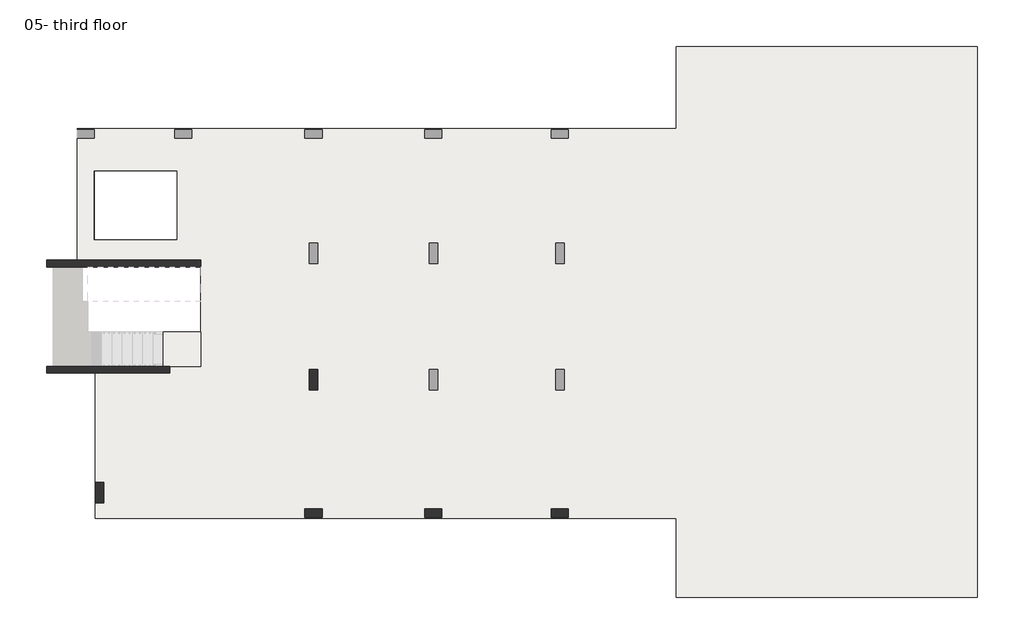
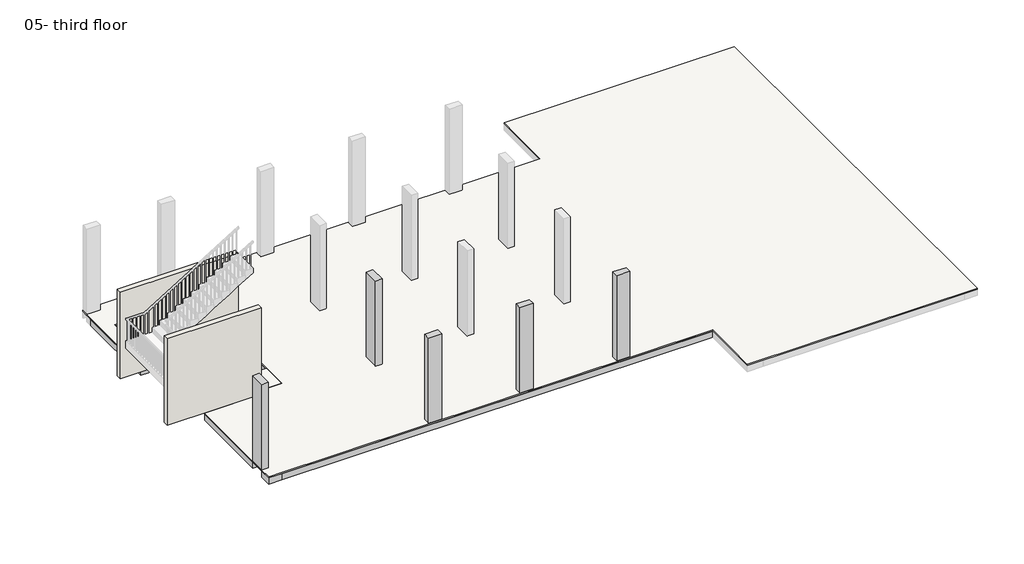
# One storey, part 1 of 5: 36 beams, 5 columns, 2 slabs, 2 walls.
"""IFC4 building model written with IfcOpenShell, lengths in millimetres."""

from ifc_helpers import new_model, si_unit, frame, origin, place, context, project, spatial, polyline, outline, extrude, faceted_brep, element, save

model = new_model("IFC4")

# Units and contexts
model_context = context("Model", 3, world=origin())
ifc_project = project(units=[si_unit("LENGTHUNIT", "METRE", prefix="MILLI")], contexts=[model_context])

# Site, building, storey
site = spatial("IfcSite", under=ifc_project)
building = spatial("IfcBuilding", under=site)
storey = spatial("IfcBuildingStorey", under=building, Name="05- third floor", Elevation=10500.0)

# Beams
placement = place(None, origin())
element("IfcBeam", 1, ObjectType="B 150 x 250 mm", at=placement, inside=storey, context=model_context, shape_type="SweptSolid", body=[
    extrude(outline(polyline([(14525.0390798, -7596.8939341), (14675.0390798, -7596.8939341), (14675.0390798, -10746.893934), (14525.0390798, -10746.893934), (14525.0390798, -7596.8939341)])), frame((0.0, 0.0, 10200.0), z_axis=(0.0, 0.0, 1.0), x_axis=(1.0, 0.0, 0.0)), (0.0, 0.0, 1.0), 250.0),
])
element("IfcBeam", 2, ObjectType="B 150 x 250 mm", at=placement, inside=storey, context=model_context, shape_type="SweptSolid", body=[
    extrude(outline(polyline([(15075.0390798, -7596.8939341), (15225.0390798, -7596.8939341), (15225.0390798, -10746.893934), (15075.0390798, -10746.893934), (15075.0390798, -7596.8939341)])), frame((0.0, 0.0, 10200.0), z_axis=(0.0, 0.0, 1.0), x_axis=(1.0, 0.0, 0.0)), (0.0, 0.0, 1.0), 250.0),
])
element("IfcBeam", 3, ObjectType="B 150 x 250 mm", at=placement, inside=storey, context=model_context, shape_type="SweptSolid", body=[
    extrude(outline(polyline([(15625.0390798, -7596.8939341), (15775.0390798, -7596.8939341), (15775.0390798, -10746.893934), (15625.0390798, -10746.893934), (15625.0390798, -7596.8939341)])), frame((0.0, 0.0, 10200.0), z_axis=(0.0, 0.0, 1.0), x_axis=(1.0, 0.0, 0.0)), (0.0, 0.0, 1.0), 250.0),
])
element("IfcBeam", 4, ObjectType="B 150 x 250 mm", at=placement, inside=storey, context=model_context, shape_type="SweptSolid", body=[
    extrude(outline(polyline([(10825.0390798, -7596.8939341), (10975.0390798, -7596.8939341), (10975.0390798, -10746.893934), (10825.0390798, -10746.893934), (10825.0390798, -7596.8939341)])), frame((0.0, 0.0, 10200.0), z_axis=(0.0, 0.0, 1.0), x_axis=(1.0, 0.0, 0.0)), (0.0, 0.0, 1.0), 250.0),
])
element("IfcBeam", 5, ObjectType="B 150 x 250 mm", at=placement, inside=storey, context=model_context, shape_type="SweptSolid", body=[
    extrude(outline(polyline([(11375.0390798, -7596.8939341), (11525.0390798, -7596.8939341), (11525.0390798, -10746.893934), (11375.0390798, -10746.893934), (11375.0390798, -7596.8939341)])), frame((0.0, 0.0, 10200.0), z_axis=(0.0, 0.0, 1.0), x_axis=(1.0, 0.0, 0.0)), (0.0, 0.0, 1.0), 250.0),
])
element("IfcBeam", 6, ObjectType="B 150 x 250 mm", at=placement, inside=storey, context=model_context, shape_type="SweptSolid", body=[
    extrude(outline(polyline([(11925.0390798, -7596.8939341), (12075.0390798, -7596.8939341), (12075.0390798, -10746.893934), (11925.0390798, -10746.893934), (11925.0390798, -7596.8939341)])), frame((0.0, 0.0, 10200.0), z_axis=(0.0, 0.0, 1.0), x_axis=(1.0, 0.0, 0.0)), (0.0, 0.0, 1.0), 250.0),
])
element("IfcBeam", 7, ObjectType="B 150 x 250 mm", at=placement, inside=storey, context=model_context, shape_type="SweptSolid", body=[
    extrude(outline(polyline([(12475.0390798, -7596.8939341), (12625.0390798, -7596.8939341), (12625.0390798, -10746.893934), (12475.0390798, -10746.893934), (12475.0390798, -7596.8939341)])), frame((0.0, 0.0, 10200.0), z_axis=(0.0, 0.0, 1.0), x_axis=(1.0, 0.0, 0.0)), (0.0, 0.0, 1.0), 250.0),
])
element("IfcBeam", 8, ObjectType="B 150 x 250 mm", at=placement, inside=storey, context=model_context, shape_type="SweptSolid", body=[
    extrude(outline(polyline([(13025.0390798, -7596.8939341), (13175.0390798, -7596.8939341), (13175.0390798, -10746.893934), (13025.0390798, -10746.893934), (13025.0390798, -7596.8939341)])), frame((0.0, 0.0, 10200.0), z_axis=(0.0, 0.0, 1.0), x_axis=(1.0, 0.0, 0.0)), (0.0, 0.0, 1.0), 250.0),
])
element("IfcBeam", 9, ObjectType="B 150 x 250 mm", at=placement, inside=storey, context=model_context, shape_type="SweptSolid", body=[
    extrude(outline(polyline([(7225.0390798, -7596.8939341), (7375.0390798, -7596.8939341), (7375.0390798, -10746.893934), (7225.0390798, -10746.893934), (7225.0390798, -7596.8939341)])), frame((0.0, 0.0, 10200.0), z_axis=(0.0, 0.0, 1.0), x_axis=(1.0, 0.0, 0.0)), (0.0, 0.0, 1.0), 250.0),
])
element("IfcBeam", 10, ObjectType="B 150 x 250 mm", at=placement, inside=storey, context=model_context, shape_type="SweptSolid", body=[
    extrude(outline(polyline([(7775.0390798, -7596.8939341), (7925.0390798, -7596.8939341), (7925.0390798, -10746.893934), (7775.0390798, -10746.893934), (7775.0390798, -7596.8939341)])), frame((0.0, 0.0, 10200.0), z_axis=(0.0, 0.0, 1.0), x_axis=(1.0, 0.0, 0.0)), (0.0, 0.0, 1.0), 250.0),
])
element("IfcBeam", 11, ObjectType="B 150 x 250 mm", at=placement, inside=storey, context=model_context, shape_type="SweptSolid", body=[
    extrude(outline(polyline([(8325.0390798, -7596.8939341), (8475.0390798, -7596.8939341), (8475.0390798, -10746.893934), (8325.0390798, -10746.893934), (8325.0390798, -7596.8939341)])), frame((0.0, 0.0, 10200.0), z_axis=(0.0, 0.0, 1.0), x_axis=(1.0, 0.0, 0.0)), (0.0, 0.0, 1.0), 250.0),
])
element("IfcBeam", 12, ObjectType="B 150 x 250 mm", at=placement, inside=storey, context=model_context, shape_type="SweptSolid", body=[
    extrude(outline(polyline([(8875.0390798, -7596.8939341), (9025.0390798, -7596.8939341), (9025.0390798, -10746.893934), (8875.0390798, -10746.893934), (8875.0390798, -7596.8939341)])), frame((0.0, 0.0, 10200.0), z_axis=(0.0, 0.0, 1.0), x_axis=(1.0, 0.0, 0.0)), (0.0, 0.0, 1.0), 250.0),
])
element("IfcBeam", 13, ObjectType="B 150 x 250 mm", at=placement, inside=storey, context=model_context, shape_type="SweptSolid", body=[
    extrude(outline(polyline([(9425.0390798, -7596.8939341), (9575.0390798, -7596.8939341), (9575.0390798, -10746.893934), (9425.0390798, -10746.893934), (9425.0390798, -7596.8939341)])), frame((0.0, 0.0, 10200.0), z_axis=(0.0, 0.0, 1.0), x_axis=(1.0, 0.0, 0.0)), (0.0, 0.0, 1.0), 250.0),
])
element("IfcBeam", 14, ObjectType="B 150 x 250 mm", at=placement, inside=storey, context=model_context, shape_type="SweptSolid", body=[
    extrude(outline(polyline([(7225.0390798, -3896.893934), (7375.0390798, -3896.893934), (7375.0390798, -6796.8939341), (7225.0390798, -6796.8939341), (7225.0390798, -3896.893934)])), frame((0.0, 0.0, 10200.0), z_axis=(0.0, 0.0, 1.0), x_axis=(1.0, 0.0, 0.0)), (0.0, 0.0, 1.0), 250.0),
])
element("IfcBeam", 15, ObjectType="B 150 x 250 mm", at=placement, inside=storey, context=model_context, shape_type="SweptSolid", body=[
    extrude(outline(polyline([(7775.0390798, -3896.893934), (7925.0390798, -3896.893934), (7925.0390798, -6796.8939341), (7775.0390798, -6796.8939341), (7775.0390798, -3896.893934)])), frame((0.0, 0.0, 10200.0), z_axis=(0.0, 0.0, 1.0), x_axis=(1.0, 0.0, 0.0)), (0.0, 0.0, 1.0), 250.0),
])
element("IfcBeam", 16, ObjectType="B 150 x 250 mm", at=placement, inside=storey, context=model_context, shape_type="SweptSolid", body=[
    extrude(outline(polyline([(888.8989593, -7596.8939341), (888.8989593, -10746.893934), (777.7588387, -10746.893934), (777.7588387, -7596.8939341), (888.8989593, -7596.8939341)])), frame((0.0, 0.0, 10200.0), z_axis=(0.0, 0.0, 1.0), x_axis=(1.0, 0.0, 0.0)), (0.0, 0.0, 1.0), 250.0),
])
element("IfcBeam", 17, ObjectType="B 150 x 250 mm", at=placement, inside=storey, context=model_context, shape_type="SweptSolid", body=[
    extrude(outline(polyline([(1288.8989593, -7596.8939341), (1438.8989593, -7596.8939341), (1438.8989593, -10746.893934), (1288.8989593, -10746.893934), (1288.8989593, -7596.8939341)])), frame((0.0, 0.0, 10200.0), z_axis=(0.0, 0.0, 1.0), x_axis=(1.0, 0.0, 0.0)), (0.0, 0.0, 1.0), 250.0),
])
element("IfcBeam", 18, ObjectType="B 150 x 250 mm", at=placement, inside=storey, context=model_context, shape_type="SweptSolid", body=[
    extrude(outline(polyline([(1838.8989593, -7596.8939341), (1988.8989593, -7596.8939341), (1988.8989593, -10746.893934), (1838.8989593, -10746.893934), (1838.8989593, -7596.8939341)])), frame((0.0, 0.0, 10200.0), z_axis=(0.0, 0.0, 1.0), x_axis=(1.0, 0.0, 0.0)), (0.0, 0.0, 1.0), 250.0),
])
element("IfcBeam", 19, ObjectType="B 150 x 250 mm", at=placement, inside=storey, context=model_context, shape_type="SweptSolid", body=[
    extrude(outline(polyline([(2388.8989593, -7596.8939341), (2538.8989593, -7596.8939341), (2538.8989593, -10746.893934), (2388.8989593, -10746.893934), (2388.8989593, -7596.8939341)])), frame((0.0, 0.0, 10200.0), z_axis=(0.0, 0.0, 1.0), x_axis=(1.0, 0.0, 0.0)), (0.0, 0.0, 1.0), 250.0),
])
element("IfcBeam", 20, ObjectType="B 150 x 250 mm", at=placement, inside=storey, context=model_context, shape_type="SweptSolid", body=[
    extrude(outline(polyline([(2938.8989593, -7596.8939341), (3088.8989593, -7596.8939341), (3088.8989593, -10746.893934), (2938.8989593, -10746.893934), (2938.8989593, -7596.8939341)])), frame((0.0, 0.0, 10200.0), z_axis=(0.0, 0.0, 1.0), x_axis=(1.0, 0.0, 0.0)), (0.0, 0.0, 1.0), 250.0),
])
element("IfcBeam", 21, ObjectType="B 150 x 250 mm", at=placement, inside=storey, context=model_context, shape_type="SweptSolid", body=[
    extrude(outline(polyline([(3488.8989593, -7596.8939341), (3638.8989593, -7596.8939341), (3638.8989593, -10746.893934), (3488.8989593, -10746.893934), (3488.8989593, -7596.8939341)])), frame((0.0, 0.0, 10200.0), z_axis=(0.0, 0.0, 1.0), x_axis=(1.0, 0.0, 0.0)), (0.0, 0.0, 1.0), 250.0),
])
element("IfcBeam", 22, ObjectType="B 150 x 250 mm", at=placement, inside=storey, context=model_context, shape_type="SweptSolid", body=[
    extrude(outline(polyline([(4038.8989593, -7596.8939341), (4188.8989593, -7596.8939341), (4188.8989593, -10746.893934), (4038.8989593, -10746.893934), (4038.8989593, -7596.8939341)])), frame((0.0, 0.0, 10200.0), z_axis=(0.0, 0.0, 1.0), x_axis=(1.0, 0.0, 0.0)), (0.0, 0.0, 1.0), 250.0),
])
element("IfcBeam", 23, ObjectType="B 150 x 250 mm", at=placement, inside=storey, context=model_context, shape_type="SweptSolid", body=[
    extrude(outline(polyline([(4588.8989593, -7596.8939341), (4738.8989593, -7596.8939341), (4738.8989593, -10746.893934), (4588.8989593, -10746.893934), (4588.8989593, -7596.8939341)])), frame((0.0, 0.0, 10200.0), z_axis=(0.0, 0.0, 1.0), x_axis=(1.0, 0.0, 0.0)), (0.0, 0.0, 1.0), 250.0),
])
element("IfcBeam", 24, ObjectType="B 150 x 250 mm", at=placement, inside=storey, context=model_context, shape_type="SweptSolid", body=[
    extrude(outline(polyline([(5138.8989593, -7596.8939341), (5288.8989593, -7596.8939341), (5288.8989593, -10746.893934), (5138.8989593, -10746.893934), (5138.8989593, -7596.8939341)])), frame((0.0, 0.0, 10200.0), z_axis=(0.0, 0.0, 1.0), x_axis=(1.0, 0.0, 0.0)), (0.0, 0.0, 1.0), 250.0),
])
element("IfcBeam", 25, ObjectType="B 150 x 250 mm", at=placement, inside=storey, context=model_context, shape_type="SweptSolid", body=[
    extrude(outline(polyline([(5688.8989593, -7596.8939341), (5838.8989593, -7596.8939341), (5838.8989593, -10746.893934), (5688.8989593, -10746.893934), (5688.8989593, -7596.8939341)])), frame((0.0, 0.0, 10200.0), z_axis=(0.0, 0.0, 1.0), x_axis=(1.0, 0.0, 0.0)), (0.0, 0.0, 1.0), 250.0),
])
element("IfcBeam", 26, ObjectType="B 150 x 250 mm", at=placement, inside=storey, context=model_context, shape_type="SweptSolid", body=[
    extrude(outline(polyline([(6238.8989593, -10746.893934), (6238.8989593, -7596.8939341), (6350.0390798, -7596.8939341), (6350.0390798, -10746.893934), (6238.8989593, -10746.893934)])), frame((0.0, 0.0, 10200.0), z_axis=(0.0, 0.0, 1.0), x_axis=(1.0, 0.0, 0.0)), (0.0, 0.0, 1.0), 250.0),
])
element("IfcBeam", 27, ObjectType="B 150 x 250 mm", at=placement, inside=storey, context=model_context, shape_type="SweptSolid", body=[
    extrude(outline(polyline([(3925.0195399, -3896.893934), (4075.0195399, -3896.893934), (4075.0195399, -6796.8939341), (3925.0195399, -6796.8939341), (3925.0195399, -3896.893934)])), frame((0.0, 0.0, 10200.0), z_axis=(0.0, 0.0, 1.0), x_axis=(1.0, 0.0, 0.0)), (0.0, 0.0, 1.0), 250.0),
])
element("IfcBeam", 28, ObjectType="B 150 x 250 mm", at=placement, inside=storey, context=model_context, shape_type="SweptSolid", body=[
    extrude(outline(polyline([(4475.0195399, -3896.893934), (4625.0195399, -3896.893934), (4625.0195399, -6796.8939341), (4475.0195399, -6796.8939341), (4475.0195399, -3896.893934)])), frame((0.0, 0.0, 10200.0), z_axis=(0.0, 0.0, 1.0), x_axis=(1.0, 0.0, 0.0)), (0.0, 0.0, 1.0), 250.0),
])
element("IfcBeam", 29, ObjectType="B 150 x 250 mm", at=placement, inside=storey, context=model_context, shape_type="SweptSolid", body=[
    extrude(outline(polyline([(5025.0195399, -3896.893934), (5175.0195399, -3896.893934), (5175.0195399, -6796.8939341), (5025.0195399, -6796.8939341), (5025.0195399, -3896.893934)])), frame((0.0, 0.0, 10200.0), z_axis=(0.0, 0.0, 1.0), x_axis=(1.0, 0.0, 0.0)), (0.0, 0.0, 1.0), 250.0),
])
element("IfcBeam", 30, ObjectType="B 150 x 250 mm", at=placement, inside=storey, context=model_context, shape_type="SweptSolid", body=[
    extrude(outline(polyline([(5575.0195399, -3896.893934), (5725.0195399, -3896.893934), (5725.0195399, -6796.8939341), (5575.0195399, -6796.8939341), (5575.0195399, -3896.893934)])), frame((0.0, 0.0, 10200.0), z_axis=(0.0, 0.0, 1.0), x_axis=(1.0, 0.0, 0.0)), (0.0, 0.0, 1.0), 250.0),
])
element("IfcBeam", 31, ObjectType="B 150 x 250 mm", at=placement, inside=storey, context=model_context, shape_type="SweptSolid", body=[
    extrude(outline(polyline([(6125.0195399, -3896.893934), (6275.0195399, -3896.893934), (6275.0195399, -6796.8939341), (6125.0195399, -6796.8939341), (6125.0195399, -3896.893934)])), frame((0.0, 0.0, 10200.0), z_axis=(0.0, 0.0, 1.0), x_axis=(1.0, 0.0, 0.0)), (0.0, 0.0, 1.0), 250.0),
])
element("IfcBeam", 32, ObjectType="B5 500 x 250 mm", at=placement, inside=storey, context=model_context, shape_type="Brep", body=[
    faceted_brep([(777.7588387, -6996.8939341, 10450.0), (277.7588387, -6996.8939341, 10450.0), (277.7588387, -10196.893934, 10450.0), (527.7588387, -10196.893934, 10450.0), (527.7588387, -10796.893934, 10450.0), (277.7588387, -10796.893934, 10450.0), (277.7588387, -11246.893934, 10450.0), (777.7588387, -11246.893934, 10450.0), (777.7588387, -10746.893934, 10450.0), (777.7588387, -7596.8939341, 10450.0), (777.7588387, -6996.8939341, 10200.0), (777.7588387, -11246.893934, 10200.0), (777.7588387, -10746.893934, 10200.0), (777.7588387, -7596.8939341, 10200.0), (277.7588387, -6996.8939341, 10200.0), (277.7588387, -11246.893934, 10200.0), (277.7588387, -10796.893934, 10200.0), (527.7588387, -10796.893934, 10200.0), (527.7588387, -10196.893934, 10200.0), (277.7588387, -10196.893934, 10200.0)], [[[0, 1, 2, 3, 4, 5, 6, 7, 8, 9]], [[10, 0, 9, 8, 7, 11, 12, 13]], [[14, 10, 13, 12, 11, 15, 16, 17, 18, 19]], [[1, 14, 19, 2]], [[1, 0, 10, 14]], [[18, 3, 2, 19]], [[4, 17, 16, 5]], [[3, 18, 17, 4]], [[15, 6, 5, 16]], [[7, 6, 15, 11]]]),
])
element("IfcBeam", 33, ObjectType="B5 500 x 250 mm", at=placement, inside=storey, context=model_context, shape_type="Brep", body=[
    faceted_brep([(25550.0000727, -11246.893934, 10450.0), (25550.0000727, -11246.893934, 10200.0), (25550.0000727, -10746.893934, 10200.0), (25550.0000727, -10746.893934, 10450.0), (25275.0195763, -10746.893934, 10450.0), (25125.0195763, -10746.893934, 10450.0), (24725.0195763, -10746.893934, 10450.0), (24575.0195763, -10746.893934, 10450.0), (24175.0195763, -10746.893934, 10450.0), (24025.0195763, -10746.893934, 10450.0), (23625.0195763, -10746.893934, 10450.0), (23475.0195763, -10746.893934, 10450.0), (23075.0195763, -10746.893934, 10450.0), (22925.0195763, -10746.893934, 10450.0), (22525.0195763, -10746.893934, 10450.0), (22375.0195763, -10746.893934, 10450.0), (21975.0195763, -10746.893934, 10450.0), (21825.0195763, -10746.893934, 10450.0), (21550.0390798, -10746.893934, 10450.0), (20950.0390798, -10746.893934, 10450.0), (20575.0390798, -10746.893934, 10450.0), (20425.0390798, -10746.893934, 10450.0), (20025.0390798, -10746.893934, 10450.0), (19875.0390798, -10746.893934, 10450.0), (19475.0390798, -10746.893934, 10450.0), (19325.0390798, -10746.893934, 10450.0), (18925.0390798, -10746.893934, 10450.0), (18775.0390798, -10746.893934, 10450.0), (18375.0390798, -10746.893934, 10450.0), (18225.0390798, -10746.893934, 10450.0), (17850.0390798, -10746.893934, 10450.0), (17250.0390798, -10746.893934, 10450.0), (16875.0390798, -10746.893934, 10450.0), (16725.0390798, -10746.893934, 10450.0), (16325.0390798, -10746.893934, 10450.0), (16175.0390798, -10746.893934, 10450.0), (15775.0390798, -10746.893934, 10450.0), (15625.0390798, -10746.893934, 10450.0), (15225.0390798, -10746.893934, 10450.0), (15075.0390798, -10746.893934, 10450.0), (14675.0390798, -10746.893934, 10450.0), (14525.0390798, -10746.893934, 10450.0), (14150.0390798, -10746.893934, 10450.0), (13550.0390798, -10746.893934, 10450.0), (13175.0390798, -10746.893934, 10450.0), (13025.0390798, -10746.893934, 10450.0), (12625.0390798, -10746.893934, 10450.0), (12475.0390798, -10746.893934, 10450.0), (12075.0390798, -10746.893934, 10450.0), (11925.0390798, -10746.893934, 10450.0), (11525.0390798, -10746.893934, 10450.0), (11375.0390798, -10746.893934, 10450.0), (10975.0390798, -10746.893934, 10450.0), (10825.0390798, -10746.893934, 10450.0), (10450.0390798, -10746.893934, 10450.0), (9850.0390798, -10746.893934, 10450.0), (9575.0390798, -10746.893934, 10450.0), (9425.0390798, -10746.893934, 10450.0), (9025.0390798, -10746.893934, 10450.0), (8875.0390798, -10746.893934, 10450.0), (8475.0390798, -10746.893934, 10450.0), (8325.0390798, -10746.893934, 10450.0), (7925.0390798, -10746.893934, 10450.0), (7775.0390798, -10746.893934, 10450.0), (7375.0390798, -10746.893934, 10450.0), (7225.0390798, -10746.893934, 10450.0), (6950.0390798, -10746.893934, 10450.0), (6350.0390798, -10746.893934, 10450.0), (6238.8989593, -10746.893934, 10450.0), (5838.8989593, -10746.893934, 10450.0), (5688.8989593, -10746.893934, 10450.0), (5288.8989593, -10746.893934, 10450.0), (5138.8989593, -10746.893934, 10450.0), (4738.8989593, -10746.893934, 10450.0), (4588.8989593, -10746.893934, 10450.0), (4188.8989593, -10746.893934, 10450.0), (4038.8989593, -10746.893934, 10450.0), (3638.8989593, -10746.893934, 10450.0), (3488.8989593, -10746.893934, 10450.0), (3088.8989593, -10746.893934, 10450.0), (2938.8989593, -10746.893934, 10450.0), (2538.8989593, -10746.893934, 10450.0), (2388.8989593, -10746.893934, 10450.0), (1988.8989593, -10746.893934, 10450.0), (1838.8989593, -10746.893934, 10450.0), (1438.8989593, -10746.893934, 10450.0), (1288.8989593, -10746.893934, 10450.0), (888.8989593, -10746.893934, 10450.0), (777.7588387, -10746.893934, 10450.0), (777.7588387, -11246.893934, 10450.0), (17250.0390798, -11246.893934, 10450.0), (17850.0390798, -11246.893934, 10450.0), (18225.0390798, -11246.893934, 10450.0), (18375.0390798, -11246.893934, 10450.0), (18775.0390798, -11246.893934, 10450.0), (18925.0390798, -11246.893934, 10450.0), (19325.0390798, -11246.893934, 10450.0), (19475.0390798, -11246.893934, 10450.0), (19875.0390798, -11246.893934, 10450.0), (20025.0390798, -11246.893934, 10450.0), (20425.0390798, -11246.893934, 10450.0), (20575.0390798, -11246.893934, 10450.0), (20950.0390798, -11246.893934, 10450.0), (21550.0390798, -11246.893934, 10450.0), (21825.0195763, -11246.893934, 10450.0), (21975.0195763, -11246.893934, 10450.0), (22375.0195763, -11246.893934, 10450.0), (22525.0195763, -11246.893934, 10450.0), (22925.0195763, -11246.893934, 10450.0), (23075.0195763, -11246.893934, 10450.0), (23475.0195763, -11246.893934, 10450.0), (23625.0195763, -11246.893934, 10450.0), (24025.0195763, -11246.893934, 10450.0), (24175.0195763, -11246.893934, 10450.0), (24575.0195763, -11246.893934, 10450.0), (24725.0195763, -11246.893934, 10450.0), (25125.0195763, -11246.893934, 10450.0), (25275.0195763, -11246.893934, 10450.0), (25146.5, -11220.893934, 10450.0), (24546.5, -11220.893934, 10450.0), (24546.5, -10970.893934, 10450.0), (25146.5, -10970.893934, 10450.0), (21500.0390798, -11221.8939341, 10450.0), (21000.0390798, -11221.8939341, 10450.0), (21000.0390798, -10971.8939341, 10450.0), (21500.0390798, -10971.8939341, 10450.0), (17800.0390798, -11221.8939341, 10450.0), (17300.0390798, -11221.8939341, 10450.0), (17300.0390798, -10971.8939341, 10450.0), (17800.0390798, -10971.8939341, 10450.0), (14100.0390798, -11221.8939341, 10450.0), (13600.0390798, -11221.8939341, 10450.0), (13600.0390798, -10971.8939341, 10450.0), (14100.0390798, -10971.8939341, 10450.0), (10400.0390798, -11221.8939341, 10450.0), (9900.0390798, -11221.8939341, 10450.0), (9900.0390798, -10971.8939341, 10450.0), (10400.0390798, -10971.8939341, 10450.0), (6900.0390798, -11221.8939341, 10450.0), (6400.0390798, -11221.8939341, 10450.0), (6400.0390798, -10971.8939341, 10450.0), (6900.0390798, -10971.8939341, 10450.0), (25275.0195763, -10746.893934, 10200.0), (25125.0195763, -10746.893934, 10200.0), (24725.0195763, -10746.893934, 10200.0), (24575.0195763, -10746.893934, 10200.0), (24175.0195763, -10746.893934, 10200.0), (24025.0195763, -10746.893934, 10200.0), (23625.0195763, -10746.893934, 10200.0), (23475.0195763, -10746.893934, 10200.0), (23075.0195763, -10746.893934, 10200.0), (22925.0195763, -10746.893934, 10200.0), (22525.0195763, -10746.893934, 10200.0), (22375.0195763, -10746.893934, 10200.0), (21975.0195763, -10746.893934, 10200.0), (21825.0195763, -10746.893934, 10200.0), (21550.0390798, -10746.893934, 10200.0), (20950.0390798, -10746.893934, 10200.0), (20575.0390798, -10746.893934, 10200.0), (20425.0390798, -10746.893934, 10200.0), (20025.0390798, -10746.893934, 10200.0), (19875.0390798, -10746.893934, 10200.0), (19475.0390798, -10746.893934, 10200.0), (19325.0390798, -10746.893934, 10200.0), (18925.0390798, -10746.893934, 10200.0), (18775.0390798, -10746.893934, 10200.0), (18375.0390798, -10746.893934, 10200.0), (18225.0390798, -10746.893934, 10200.0), (17850.0390798, -10746.893934, 10200.0), (17250.0390798, -10746.893934, 10200.0), (16875.0390798, -10746.893934, 10200.0), (16725.0390798, -10746.893934, 10200.0), (16325.0390798, -10746.893934, 10200.0), (16175.0390798, -10746.893934, 10200.0), (15775.0390798, -10746.893934, 10200.0), (15625.0390798, -10746.893934, 10200.0), (15225.0390798, -10746.893934, 10200.0), (15075.0390798, -10746.893934, 10200.0), (14675.0390798, -10746.893934, 10200.0), (14525.0390798, -10746.893934, 10200.0), (14150.0390798, -10746.893934, 10200.0), (13550.0390798, -10746.893934, 10200.0), (13175.0390798, -10746.893934, 10200.0), (13025.0390798, -10746.893934, 10200.0), (12625.0390798, -10746.893934, 10200.0), (12475.0390798, -10746.893934, 10200.0), (12075.0390798, -10746.893934, 10200.0), (11925.0390798, -10746.893934, 10200.0), (11525.0390798, -10746.893934, 10200.0), (11375.0390798, -10746.893934, 10200.0), (10975.0390798, -10746.893934, 10200.0), (10825.0390798, -10746.893934, 10200.0), (10450.0390798, -10746.893934, 10200.0), (9850.0390798, -10746.893934, 10200.0), (9575.0390798, -10746.893934, 10200.0), (9425.0390798, -10746.893934, 10200.0), (9025.0390798, -10746.893934, 10200.0), (8875.0390798, -10746.893934, 10200.0), (8475.0390798, -10746.893934, 10200.0), (8325.0390798, -10746.893934, 10200.0), (7925.0390798, -10746.893934, 10200.0), (7775.0390798, -10746.893934, 10200.0), (7375.0390798, -10746.893934, 10200.0), (7225.0390798, -10746.893934, 10200.0), (6950.0390798, -10746.893934, 10200.0), (6350.0390798, -10746.893934, 10200.0), (6238.8989593, -10746.893934, 10200.0), (5838.8989593, -10746.893934, 10200.0), (5688.8989593, -10746.893934, 10200.0), (5288.8989593, -10746.893934, 10200.0), (5138.8989593, -10746.893934, 10200.0), (4738.8989593, -10746.893934, 10200.0), (4588.8989593, -10746.893934, 10200.0), (4188.8989593, -10746.893934, 10200.0), (4038.8989593, -10746.893934, 10200.0), (3638.8989593, -10746.893934, 10200.0), (3488.8989593, -10746.893934, 10200.0), (3088.8989593, -10746.893934, 10200.0), (2938.8989593, -10746.893934, 10200.0), (2538.8989593, -10746.893934, 10200.0), (2388.8989593, -10746.893934, 10200.0), (1988.8989593, -10746.893934, 10200.0), (1838.8989593, -10746.893934, 10200.0), (1438.8989593, -10746.893934, 10200.0), (1288.8989593, -10746.893934, 10200.0), (888.8989593, -10746.893934, 10200.0), (777.7588387, -10746.893934, 10200.0), (25275.0195763, -11246.893934, 10200.0), (25125.0195763, -11246.893934, 10200.0), (24725.0195763, -11246.893934, 10200.0), (24575.0195763, -11246.893934, 10200.0), (24175.0195763, -11246.893934, 10200.0), (24025.0195763, -11246.893934, 10200.0), (23625.0195763, -11246.893934, 10200.0), (23475.0195763, -11246.893934, 10200.0), (23075.0195763, -11246.893934, 10200.0), (22925.0195763, -11246.893934, 10200.0), (22525.0195763, -11246.893934, 10200.0), (22375.0195763, -11246.893934, 10200.0), (21975.0195763, -11246.893934, 10200.0), (21825.0195763, -11246.893934, 10200.0), (21550.0390798, -11246.893934, 10200.0), (20950.0390798, -11246.893934, 10200.0), (20575.0390798, -11246.893934, 10200.0), (20425.0390798, -11246.893934, 10200.0), (20025.0390798, -11246.893934, 10200.0), (19875.0390798, -11246.893934, 10200.0), (19475.0390798, -11246.893934, 10200.0), (19325.0390798, -11246.893934, 10200.0), (18925.0390798, -11246.893934, 10200.0), (18775.0390798, -11246.893934, 10200.0), (18375.0390798, -11246.893934, 10200.0), (18225.0390798, -11246.893934, 10200.0), (17850.0390798, -11246.893934, 10200.0), (17250.0390798, -11246.893934, 10200.0), (777.7588387, -11246.893934, 10200.0), (24546.5, -11220.893934, 10200.0), (25146.5, -11220.893934, 10200.0), (25146.5, -10970.893934, 10200.0), (24546.5, -10970.893934, 10200.0), (21000.0390798, -11221.8939341, 10200.0), (21500.0390798, -11221.8939341, 10200.0), (21500.0390798, -10971.8939341, 10200.0), (21000.0390798, -10971.8939341, 10200.0), (17300.0390798, -11221.8939341, 10200.0), (17800.0390798, -11221.8939341, 10200.0), (17800.0390798, -10971.8939341, 10200.0), (17300.0390798, -10971.8939341, 10200.0), (13600.0390798, -11221.8939341, 10200.0), (14100.0390798, -11221.8939341, 10200.0), (14100.0390798, -10971.8939341, 10200.0), (13600.0390798, -10971.8939341, 10200.0), (9900.0390798, -11221.8939341, 10200.0), (10400.0390798, -11221.8939341, 10200.0), (10400.0390798, -10971.8939341, 10200.0), (9900.0390798, -10971.8939341, 10200.0), (6400.0390798, -11221.8939341, 10200.0), (6900.0390798, -11221.8939341, 10200.0), (6900.0390798, -10971.8939341, 10200.0), (6400.0390798, -10971.8939341, 10200.0)], [[[0, 1, 2, 3]], [[0, 3, 4, 5, 6, 7, 8, 9, 10, 11, 12, 13, 14, 15, 16, 17, 18, 19, 20, 21, 22, 23, 24, 25, 26, 27, 28, 29, 30, 31, 32, 33, 34, 35, 36, 37, 38, 39, 40, 41, 42, 43, 44, 45, 46, 47, 48, 49, 50, 51, 52, 53, 54, 55, 56, 57, 58, 59, 60, 61, 62, 63, 64, 65, 66, 67, 68, 69, 70, 71, 72, 73, 74, 75, 76, 77, 78, 79, 80, 81, 82, 83, 84, 85, 86, 87, 88, 89, 90, 91, 92, 93, 94, 95, 96, 97, 98, 99, 100, 101, 102, 103, 104, 105, 106, 107, 108, 109, 110, 111, 112, 113, 114, 115, 116, 117], [118, 119, 120, 121], [122, 123, 124, 125], [126, 127, 128, 129], [130, 131, 132, 133], [134, 135, 136, 137], [138, 139, 140, 141]], [[3, 2, 142, 143, 144, 145, 146, 147, 148, 149, 150, 151, 152, 153, 154, 155, 156, 157, 158, 159, 160, 161, 162, 163, 164, 165, 166, 167, 168, 169, 170, 171, 172, 173, 174, 175, 176, 177, 178, 179, 180, 181, 182, 183, 184, 185, 186, 187, 188, 189, 190, 191, 192, 193, 194, 195, 196, 197, 198, 199, 200, 201, 202, 203, 204, 205, 206, 207, 208, 209, 210, 211, 212, 213, 214, 215, 216, 217, 218, 219, 220, 221, 222, 223, 224, 225, 226, 88, 87, 86, 85, 84, 83, 82, 81, 80, 79, 78, 77, 76, 75, 74, 73, 72, 71, 70, 69, 68, 67, 66, 65, 64, 63, 62, 61, 60, 59, 58, 57, 56, 55, 54, 53, 52, 51, 50, 49, 48, 47, 46, 45, 44, 43, 42, 41, 40, 39, 38, 37, 36, 35, 34, 33, 32, 31, 30, 29, 28, 27, 26, 25, 24, 23, 22, 21, 20, 19, 18, 17, 16, 15, 14, 13, 12, 11, 10, 9, 8, 7, 6, 5, 4]], [[2, 1, 227, 228, 229, 230, 231, 232, 233, 234, 235, 236, 237, 238, 239, 240, 241, 242, 243, 244, 245, 246, 247, 248, 249, 250, 251, 252, 253, 254, 255, 226, 225, 224, 223, 222, 221, 220, 219, 218, 217, 216, 215, 214, 213, 212, 211, 210, 209, 208, 207, 206, 205, 204, 203, 202, 201, 200, 199, 198, 197, 196, 195, 194, 193, 192, 191, 190, 189, 188, 187, 186, 185, 184, 183, 182, 181, 180, 179, 178, 177, 176, 175, 174, 173, 172, 171, 170, 169, 168, 167, 166, 165, 164, 163, 162, 161, 160, 159, 158, 157, 156, 155, 154, 153, 152, 151, 150, 149, 148, 147, 146, 145, 144, 143, 142], [256, 257, 258, 259], [260, 261, 262, 263], [264, 265, 266, 267], [268, 269, 270, 271], [272, 273, 274, 275], [276, 277, 278, 279]], [[1, 0, 117, 116, 115, 114, 113, 112, 111, 110, 109, 108, 107, 106, 105, 104, 103, 102, 101, 100, 99, 98, 97, 96, 95, 94, 93, 92, 91, 90, 89, 255, 254, 253, 252, 251, 250, 249, 248, 247, 246, 245, 244, 243, 242, 241, 240, 239, 238, 237, 236, 235, 234, 233, 232, 231, 230, 229, 228, 227]], [[118, 257, 256, 119]], [[257, 118, 121, 258]], [[258, 121, 120, 259]], [[119, 256, 259, 120]], [[122, 261, 260, 123]], [[261, 122, 125, 262]], [[262, 125, 124, 263]], [[123, 260, 263, 124]], [[126, 265, 264, 127]], [[265, 126, 129, 266]], [[266, 129, 128, 267]], [[127, 264, 267, 128]], [[130, 269, 268, 131]], [[269, 130, 133, 270]], [[270, 133, 132, 271]], [[131, 268, 271, 132]], [[134, 273, 272, 135]], [[273, 134, 137, 274]], [[274, 137, 136, 275]], [[135, 272, 275, 136]], [[138, 277, 276, 139]], [[277, 138, 141, 278]], [[278, 141, 140, 279]], [[139, 276, 279, 140]], [[89, 88, 226, 255]]]),
])
element("IfcBeam", 34, ObjectType="B5 500 x 250 mm", at=placement, inside=storey, context=model_context, shape_type="Brep", body=[
    faceted_brep([(250.0, -346.893934, 10450.0), (-250.0, -346.893934, 10450.0), (-250.0, -3696.893934, 10450.0), (250.0, -3696.893934, 10450.0), (250.0, -3096.893934, 10450.0), (250.0, -1096.893934, 10450.0), (250.0, -946.893934, 10450.0), (-250.0, -346.893934, 10200.0), (-250.0, -3696.893934, 10200.0), (250.0, -346.893934, 10200.0), (250.0, -946.893934, 10200.0), (250.0, -1096.893934, 10200.0), (250.0, -3096.893934, 10200.0), (250.0, -3696.893934, 10200.0)], [[[0, 1, 2, 3, 4, 5, 6]], [[1, 7, 8, 2]], [[7, 9, 10, 11, 12, 13, 8]], [[9, 0, 6, 5, 4, 3, 13, 12, 11, 10]], [[1, 0, 9, 7]], [[3, 2, 8, 13]]]),
])
element("IfcBeam", 35, ObjectType="B5 500 x 250 mm", at=placement, inside=storey, context=model_context, shape_type="Brep", body=[
    faceted_brep([(3350.0, -6796.8939341, 10450.0), (3850.0, -6796.8939341, 10450.0), (3850.0, -3896.893934, 10450.0), (3350.0, -3896.893934, 10450.0), (3350.0, -6796.8939341, 10200.0), (3350.0, -3896.893934, 10200.0), (3350.0, -5796.8939341, 10200.0), (3850.0, -6796.8939341, 10200.0), (3850.0, -3896.893934, 10200.0)], [[[0, 1, 2, 3]], [[4, 0, 3, 5, 6]], [[7, 4, 6, 5, 8]], [[1, 7, 8, 2]], [[1, 0, 4, 7]], [[3, 2, 8, 5]]]),
])
element("IfcBeam", 36, ObjectType="B6 600 x 250 mm", at=placement, inside=storey, context=model_context, shape_type="SweptSolid", body=[
    extrude(outline(polyline([(6350.0390798, -346.893934), (6950.0390798, -346.893934), (6950.0390798, -3096.893934), (6350.0390798, -3096.893934), (6350.0390798, -346.893934)])), frame((0.0, 0.0, 10200.0), z_axis=(0.0, 0.0, 1.0), x_axis=(1.0, 0.0, 0.0)), (0.0, 0.0, 1.0), 250.0),
    extrude(outline(polyline([(6950.0390798, -10746.893934), (6350.0390798, -10746.893934), (6350.0390798, -7596.8939341), (6950.0390798, -7596.8939341), (6950.0390798, -10746.893934)])), frame((0.0, 0.0, 10200.0), z_axis=(0.0, 0.0, 1.0), x_axis=(1.0, 0.0, 0.0)), (0.0, 0.0, 1.0), 250.0),
    extrude(outline(polyline([(6950.0390798, -6796.8939341), (6350.0390798, -6796.8939341), (6350.0390798, -3896.893934), (6950.0390798, -3896.893934), (6950.0390798, -6796.8939341)])), frame((0.0, 0.0, 10200.0), z_axis=(0.0, 0.0, 1.0), x_axis=(1.0, 0.0, 0.0)), (0.0, 0.0, 1.0), 250.0),
])

# Columns
element("IfcColumn", 37, ObjectType="C1 25 x 50mm", at=placement, inside=storey, context=model_context, shape_type="Brep", body=[
    faceted_brep([(13600.0390798, -10971.8939341, 10500.0), (14100.0390798, -10971.8939341, 10500.0), (14100.0390798, -11221.8939341, 10500.0), (13600.0390798, -11221.8939341, 10500.0), (13600.0390798, -11221.8939341, 13700.0), (13600.0390798, -11221.8939341, 13950.0), (13600.0390798, -10971.8939341, 13950.0), (13600.0390798, -10971.8939341, 13700.0), (14100.0390798, -11221.8939341, 13700.0), (14100.0390798, -11221.8939341, 13950.0), (14100.0390798, -10971.8939341, 13700.0), (14100.0390798, -10971.8939341, 13950.0)], [[[0, 1, 2, 3]], [[0, 3, 4, 5, 6, 7]], [[3, 2, 8, 9, 5, 4]], [[2, 1, 10, 11, 9, 8]], [[1, 0, 7, 6, 11, 10]], [[6, 5, 9, 11]]]),
])
element("IfcColumn", 38, ObjectType="C1 25 x 50mm", at=placement, inside=storey, context=model_context, shape_type="SweptSolid", body=[
    extrude(outline(polyline([(9900.0390798, -10971.8939341), (10400.0390798, -10971.8939341), (10400.0390798, -11221.8939341), (9900.0390798, -11221.8939341), (9900.0390798, -10971.8939341)])), frame((0.0, 0.0, 10500.0), z_axis=(0.0, 0.0, 1.0), x_axis=(1.0, 0.0, 0.0)), (0.0, 0.0, 1.0), 3450.0),
])
element("IfcColumn", 39, ObjectType="C1 25 x 50mm", at=placement, inside=storey, context=model_context, shape_type="SweptSolid", body=[
    extrude(outline(polyline([(6400.0390798, -10971.8939341), (6900.0390798, -10971.8939341), (6900.0390798, -11221.8939341), (6400.0390798, -11221.8939341), (6400.0390798, -10971.8939341)])), frame((0.0, 0.0, 10500.0), z_axis=(0.0, 0.0, 1.0), x_axis=(1.0, 0.0, 0.0)), (0.0, 0.0, 1.0), 3450.0),
])
element("IfcColumn", 40, ObjectType="C2 25 x 60 mm", at=placement, inside=storey, context=model_context, shape_type="Brep", body=[
    faceted_brep([(6775.0390798, -6896.8939341, 10500.0), (6775.0390798, -7496.8939341, 10500.0), (6525.0390798, -7496.8939341, 10500.0), (6525.0390798, -6896.8939341, 10500.0), (6525.0390798, -6896.8939341, 13700.0), (6525.0390798, -6896.8939341, 13950.0), (6775.0390798, -6896.8939341, 13950.0), (6775.0390798, -6896.8939341, 13700.0), (6525.0390798, -7496.8939341, 13700.0), (6525.0390798, -7496.8939341, 13950.0), (6775.0390798, -7496.8939341, 13700.0), (6775.0390798, -7496.8939341, 13950.0)], [[[0, 1, 2, 3]], [[0, 3, 4, 5, 6, 7]], [[3, 2, 8, 9, 5, 4]], [[2, 1, 10, 11, 9, 8]], [[1, 0, 7, 6, 11, 10]], [[6, 5, 9, 11]]]),
])
element("IfcColumn", 41, ObjectType="C2 25 x 60 mm", at=placement, inside=storey, context=model_context, shape_type="Brep", body=[
    faceted_brep([(527.7588387, -10196.893934, 10500.0), (527.7588387, -10796.893934, 10500.0), (277.7588387, -10796.893934, 10500.0), (277.7588387, -10196.893934, 10500.0), (277.7588387, -10196.893934, 13700.0), (277.7588387, -10196.893934, 13950.0), (527.7588387, -10196.893934, 13950.0), (527.7588387, -10196.893934, 13700.0), (277.7588387, -10796.893934, 13700.0), (277.7588387, -10796.893934, 13950.0), (527.7588387, -10796.893934, 13700.0), (527.7588387, -10796.893934, 13950.0), (527.7588387, -10746.893934, 13950.0)], [[[0, 1, 2, 3]], [[0, 3, 4, 5, 6, 7]], [[3, 2, 8, 9, 5, 4]], [[2, 1, 10, 11, 9, 8]], [[1, 0, 7, 6, 12, 11, 10]], [[6, 5, 9, 11, 12]]]),
])

# Slabs
element("IfcSlab", 42, at=placement, inside=storey, context=model_context, shape_type="Brep", body=[
    faceted_brep([(26050.0000727, 2553.106066, 10450.0), (26050.0000727, -13546.8939341, 10450.0), (25550.0000727, -13546.8939341, 10450.0), (17850.0390798, -13546.8939341, 10450.0), (17250.0390798, -13546.8939341, 10450.0), (17250.0390798, -11246.893934, 10450.0), (777.7588387, -11246.893934, 10450.0), (277.7588387, -11246.893934, 10450.0), (277.7588387, -10796.893934, 10450.0), (277.7588387, -10196.893934, 10450.0), (277.7588387, -6996.8939341, 10450.0), (777.7588387, -6996.8939341, 10450.0), (2450.0, -6996.8939341, 10450.0), (2450.0, -6796.8939341, 10450.0), (3350.0, -6796.8939341, 10450.0), (3350.0, -3896.893934, 10450.0), (3350.0, -3696.893934, 10450.0), (250.0, -3696.893934, 10450.0), (-250.0, -3696.893934, 10450.0), (-250.0, -346.893934, 10450.0), (-250.0, -121.893934, 10450.0), (-250.0, 128.106066, 10450.0), (-250.0, 153.106066, 10450.0), (17250.0390798, 153.106066, 10450.0), (17250.0390798, 2553.106066, 10450.0), (17850.0390798, 2553.106066, 10450.0), (20950.0390798, 2553.106066, 10450.0), (21550.0390798, 2553.106066, 10450.0), (25550.0000727, 2553.106066, 10450.0), (2650.0, -1096.893934, 10450.0), (250.0, -1096.893934, 10450.0), (250.0, -3096.893934, 10450.0), (2650.0, -3096.893934, 10450.0), (26050.0000727, -13546.8939341, 10500.0), (26050.0000727, 2553.106066, 10500.0), (17250.0390798, 2553.106066, 10500.0), (17250.0390798, 153.106066, 10500.0), (-250.0, 153.106066, 10500.0), (-250.0, 128.106066, 10500.0), (-250.0, -121.893934, 10500.0), (-250.0, -3696.893934, 10500.0), (3350.0, -3696.893934, 10500.0), (3350.0, -6796.8939341, 10500.0), (2450.0, -6796.8939341, 10500.0), (2450.0, -6996.8939341, 10500.0), (277.7588387, -6996.8939341, 10500.0), (277.7588387, -10196.893934, 10500.0), (277.7588387, -10796.893934, 10500.0), (277.7588387, -11246.893934, 10500.0), (17250.0390798, -11246.893934, 10500.0), (17250.0390798, -13546.8939341, 10500.0), (250.0, -1096.893934, 10500.0), (2650.0, -1096.893934, 10500.0), (2650.0, -3096.893934, 10500.0), (250.0, -3096.893934, 10500.0)], [[[0, 1, 2, 3, 4, 5, 6, 7, 8, 9, 10, 11, 12, 13, 14, 15, 16, 17, 18, 19, 20, 21, 22, 23, 24, 25, 26, 27, 28], [29, 30, 31, 32]], [[33, 34, 35, 36, 37, 38, 39, 40, 41, 42, 43, 44, 45, 46, 47, 48, 49, 50], [51, 52, 53, 54]], [[1, 0, 34, 33]], [[4, 3, 2, 1, 33, 50]], [[5, 4, 50, 49]], [[7, 6, 5, 49, 48]], [[10, 9, 8, 7, 48, 47, 46, 45]], [[12, 11, 10, 45, 44]], [[13, 12, 44, 43]], [[14, 13, 43, 42]], [[16, 15, 14, 42, 41]], [[18, 17, 16, 41, 40]], [[22, 21, 20, 19, 18, 40, 39, 38, 37]], [[23, 22, 37, 36]], [[24, 23, 36, 35]], [[0, 28, 27, 26, 25, 24, 35, 34]], [[29, 52, 51, 30]], [[30, 51, 54, 31]], [[31, 54, 53, 32]], [[52, 29, 32, 53]]]),
])
element("IfcSlab", 43, at=placement, inside=storey, context=model_context, shape_type="Brep", body=[
    faceted_brep([(1963.3, -5796.8939341, 10200.0), (3350.0, -5796.8939341, 10200.0), (3350.0, -6796.8939341, 10200.0), (2450.0, -6796.8939341, 10200.0), (1963.3, -6796.8939341, 10200.0), (1963.3, -5796.8939341, 10500.0), (1963.3, -6796.8939341, 10500.0), (3350.0, -6796.8939341, 10500.0), (3350.0, -5796.8939341, 10500.0), (3350.0, -6796.8939341, 10450.0)], [[[0, 1, 2, 3, 4]], [[5, 6, 7, 8]], [[1, 0, 5, 8]], [[2, 1, 8, 7, 9]], [[4, 3, 2, 9, 7, 6]], [[0, 4, 6, 5]]]),
])

# Walls
element("IfcWall", 44, at=placement, inside=storey, context=model_context, shape_type="Brep", body=[
    faceted_brep([(-1150.0, -3896.893934, 10500.0), (3350.0, -3896.893934, 10500.0), (3350.0, -3896.893934, 14000.0), (-1150.0, -3896.893934, 14000.0), (-1150.0, -3696.893934, 10500.0), (-1150.0, -3696.893934, 14000.0), (3350.0, -3696.893934, 14000.0), (3350.0, -3696.893934, 13950.0), (3350.0, -3696.893934, 13700.0), (3350.0, -3696.893934, 10500.0)], [[[0, 1, 2, 3]], [[4, 5, 6, 7, 8, 9]], [[1, 0, 4, 9]], [[2, 1, 9, 8, 7, 6]], [[3, 2, 6, 5]], [[0, 3, 5, 4]]]),
])
element("IfcWall", 45, at=placement, inside=storey, context=model_context, shape_type="Brep", body=[
    faceted_brep([(-1150.0, -6996.8939341, 10500.0), (2450.0, -6996.8939341, 10500.0), (2450.0, -6996.8939341, 13700.0), (2450.0, -6996.8939341, 13950.0), (2450.0, -6996.8939341, 14000.0), (-1150.0, -6996.8939341, 14000.0), (-1150.0, -6796.8939341, 10500.0), (-1150.0, -6796.8939341, 14000.0), (2450.0, -6796.8939341, 14000.0), (2450.0, -6796.8939341, 13950.0), (2450.0, -6796.8939341, 13700.0), (2450.0, -6796.8939341, 10500.0)], [[[0, 1, 2, 3, 4, 5]], [[6, 7, 8, 9, 10, 11]], [[1, 0, 6, 11]], [[4, 3, 2, 1, 11, 10, 9, 8]], [[5, 4, 8, 7]], [[0, 5, 7, 6]]]),
])

save(model, "model.ifc")
